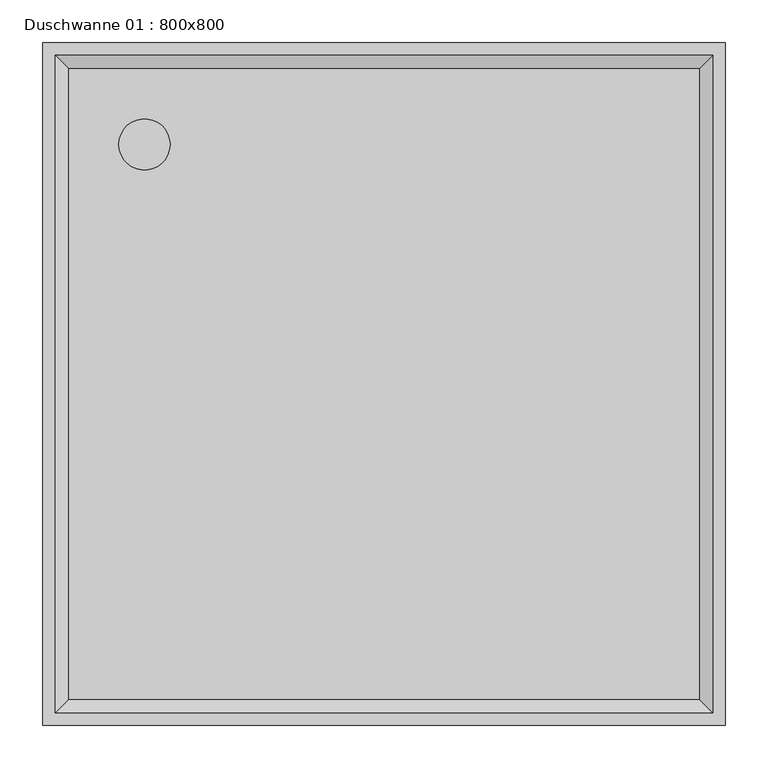
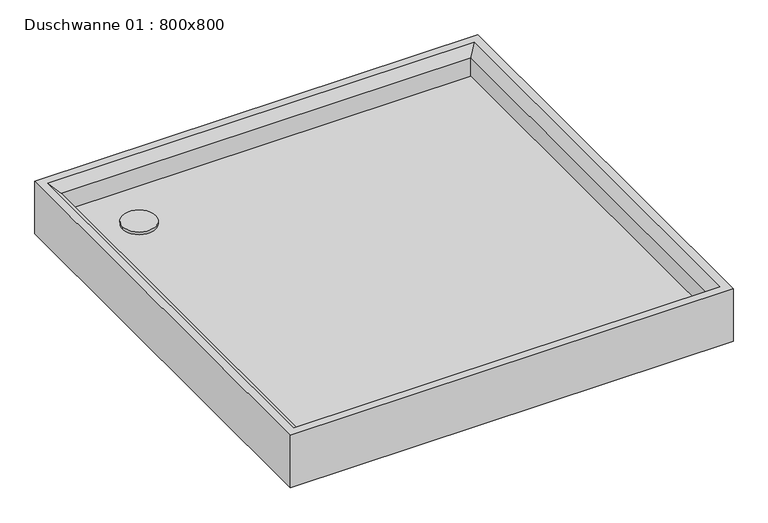
"""IFC4 building model written with IfcOpenShell, lengths in millimetres: flow terminal geometry, Duschwanne 01 : 800x800."""

from ifc_helpers import new_model, si_unit, point, frame, frame_2d, origin, place, context, project, spatial, circle_curve, trimmed, segment, composite_curve, outline, extrude, faceted_brep, source, transform, mapped, element, save


def duschwanne_01_800x800_49b61093(model_context):
    return source(origin(), model_context, "Body", "SolidModel", [
        extrude(outline(composite_curve([segment(trimmed(circle_curve(frame_2d((119.2893219, -119.2893219)), 30.0), [point((89.2893219, -119.2893219))], [point((149.2893219, -119.2893219))], False, "CARTESIAN"), True, "CONTINUOUS"), segment(trimmed(circle_curve(frame_2d((119.2893219, -119.2893219)), 30.0), [point((149.2893219, -119.2893219))], [point((89.2893219, -119.2893219))], False, "CARTESIAN"), True, "CONTINUOUS")], self_intersect=False)), frame((0.0, 0.0, 50.0), z_axis=(0.0, 0.0, 1.0), x_axis=(1.0, 0.0, 0.0)), (0.0, 0.0, 1.0), 5.0),
        faceted_brep([(30.0, -770.0, 50.0), (770.0, -770.0, 50.0), (770.0, -30.0, 50.0), (30.0, -30.0, 50.0), (800.0, -800.0, 0.0), (0.0, -800.0, 0.0), (0.0, 0.0, 0.0), (800.0, 0.0, 0.0), (800.0, -800.0, 100.0), (0.0, -800.0, 100.0), (0.0, 0.0, 100.0), (800.0, 0.0, 100.0), (30.0, -770.0, 85.0), (30.0, -30.0, 85.0), (15.0, -15.0, 100.0), (15.0, -785.0, 100.0), (770.0, -30.0, 85.0), (785.0, -15.0, 100.0), (770.0, -770.0, 85.0), (785.0, -785.0, 100.0)], [[[0, 1, 2, 3]], [[4, 5, 6, 7]], [[4, 8, 9, 5]], [[9, 10, 6, 5]], [[10, 11, 7, 6]], [[11, 8, 4, 7]], [[12, 13, 14, 15]], [[12, 0, 3, 13]], [[13, 16, 17, 14]], [[3, 2, 16, 13]], [[16, 18, 19, 17]], [[2, 1, 18, 16]], [[9, 8, 11, 10], [14, 17, 19, 15]], [[15, 19, 18, 12]], [[12, 18, 1, 0]]]),
    ])


if __name__ == "__main__":
    model = new_model("IFC4")
    model_context = context("Model", 3, world=origin())
    ifc_project = project(units=[si_unit("LENGTHUNIT", "METRE", prefix="MILLI")], contexts=[model_context])
    site = spatial("IfcSite", under=ifc_project)
    building = spatial("IfcBuilding", under=site)
    placement = place(None, origin())
    duschwanne_01_800x800_shape = duschwanne_01_800x800_49b61093(model_context)
    element("IfcFlowTerminal", 1, ObjectType="Duschwanne 01 : 800x800", at=placement, inside=building, context=model_context, shape_type="MappedRepresentation", body=[
        mapped(duschwanne_01_800x800_shape, transform((0.0, 0.0, 0.0), x_axis=(1.0, 0.0, 0.0), y_axis=(0.0, 1.0, 0.0), z_axis=(0.0, 0.0, 1.0))),
    ])
    save(model, "model.ifc")
